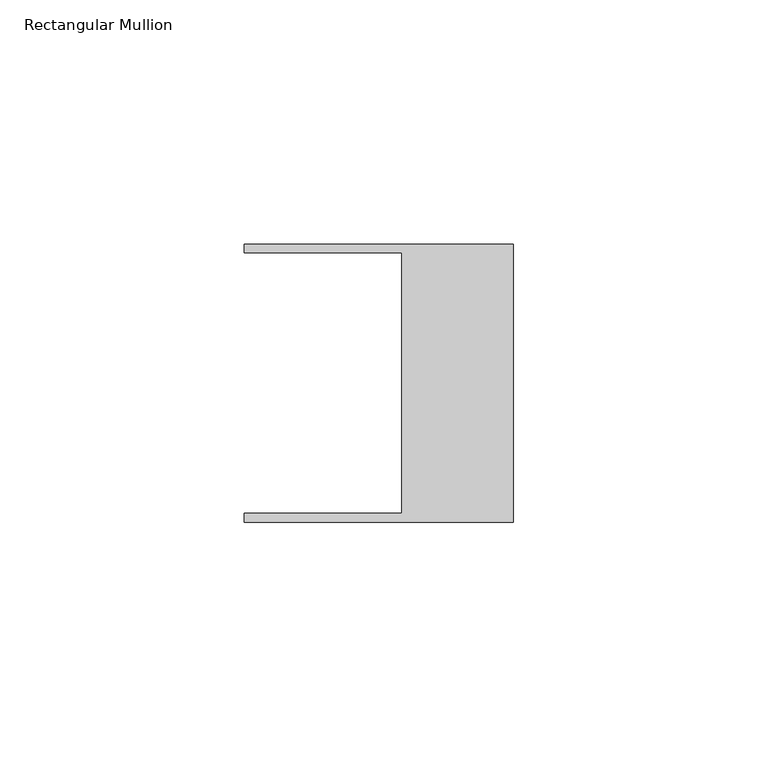
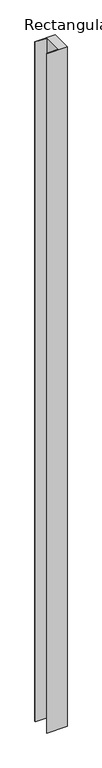
"""IFC4 building model written with IfcOpenShell, lengths in millimetres: member geometry, Rectangular Mullion."""

from ifc_helpers import new_model, si_unit, frame, origin, place, context, project, spatial, polyline, outline, extrude, source, transform, mapped, element, save


def rectangular_mullion_87b28267(model_context):
    return source(origin(), model_context, "Body", "SweptSolid", [
        extrude(outline(polyline([(-55.118, 26.67), (-55.118, 28.448), (0.0, 28.448), (0.0, -28.448), (-55.118, -28.448), (-55.118, -26.67), (-22.86, -26.67), (-22.86, 26.67), (-55.118, 26.67)])), frame((0.0, 0.0, -1964.2666667), z_axis=(0.0, 0.0, 1.0), x_axis=(1.0, 0.0, 0.0)), (0.0, 0.0, 1.0), 1964.2666667),
    ])


if __name__ == "__main__":
    model = new_model("IFC4")
    model_context = context("Model", 3, world=origin())
    ifc_project = project(units=[si_unit("LENGTHUNIT", "METRE", prefix="MILLI")], contexts=[model_context])
    site = spatial("IfcSite", under=ifc_project)
    building = spatial("IfcBuilding", under=site)
    placement = place(None, origin())
    rectangular_mullion_shape = rectangular_mullion_87b28267(model_context)
    element("IfcMember", 1, ObjectType="Rectangular Mullion", at=placement, inside=building, context=model_context, shape_type="MappedRepresentation", body=[
        mapped(rectangular_mullion_shape, transform((0.0, 0.0, 0.0), x_axis=(1.0, 0.0, 0.0), y_axis=(0.0, 1.0, 0.0), z_axis=(0.0, 0.0, 1.0))),
    ])
    save(model, "model.ifc")
